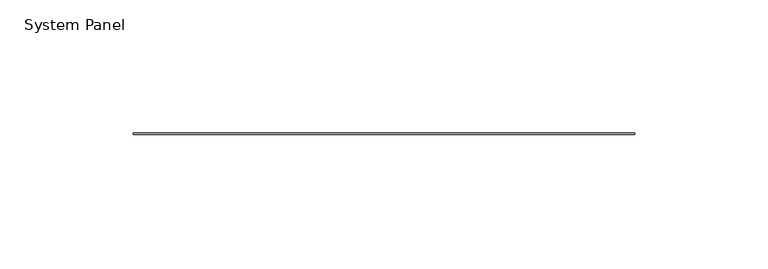
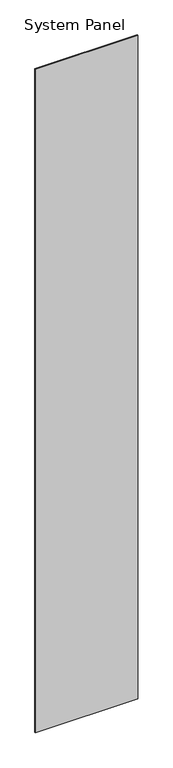
"""IFC4 building model written with IfcOpenShell, lengths in millimetres: plate geometry, System Panel."""

from ifc_helpers import new_model, si_unit, origin, origin_with_axes, place, context, project, spatial, polyline, outline, extrude, source, transform, mapped, element, save


def system_panel_ae13d03e(model_context):
    return source(origin(), model_context, "Body", "SweptSolid", [
        extrude(outline(polyline([(93.9165, -0.2976563), (-93.9165, -0.2976563), (-93.9165, 0.2976563), (93.9165, 0.2976563), (93.9165, -0.2976563)])), origin_with_axes(), (0.0, 0.0, 1.0), 1285.875),
    ])


if __name__ == "__main__":
    model = new_model("IFC4")
    model_context = context("Model", 3, world=origin())
    ifc_project = project(units=[si_unit("LENGTHUNIT", "METRE", prefix="MILLI")], contexts=[model_context])
    site = spatial("IfcSite", under=ifc_project)
    building = spatial("IfcBuilding", under=site)
    placement = place(None, origin())
    system_panel_shape = system_panel_ae13d03e(model_context)
    element("IfcPlate", 1, ObjectType="System Panel", at=placement, inside=building, context=model_context, shape_type="MappedRepresentation", body=[
        mapped(system_panel_shape, transform((0.0, 0.0, 0.0), x_axis=(1.0, 0.0, 0.0), y_axis=(0.0, 1.0, 0.0), z_axis=(0.0, 0.0, 1.0))),
    ])
    save(model, "model.ifc")
